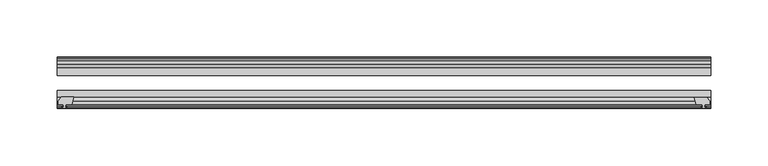
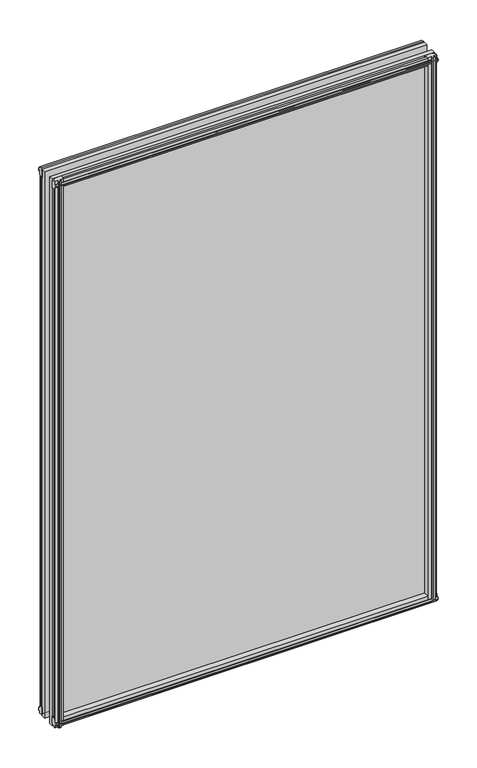
"""IFC4 building model written with IfcOpenShell, lengths in millimetres: plate geometry."""

from ifc_helpers import new_model, si_unit, frame, origin, place, context, project, spatial, polyline, outline, extrude, source, transform, mapped, element, save


def plate_e61108b9(model_context):
    return source(origin(), model_context, "Body", "SweptSolid", [
        extrude(outline(polyline([(-271.3322819, -83.1453125), (-273.05, -89.4953125), (-278.257, -89.4953125), (-278.638, -91.8755095), (-277.2224709, -91.4155762), (-277.2224709, -92.2167904), (-279.4, -92.9243125), (-281.577529, -92.2167904), (-281.577529, -91.4155762), (-280.162, -91.8755095), (-280.543, -89.4953125), (-284.988, -89.4953125), (-284.988, -86.5489125), (-282.1536578, -83.1453125), (-271.3322819, -83.1453125)])), frame((0.0, 0.0, -12.4587), z_axis=(0.0, 0.0, 1.0), x_axis=(1.0, 0.0, 0.0)), (0.0, 0.0, 1.0), 863.1176589),
        extrude(outline(polyline([(271.3538926, -83.2252021), (282.1752685, -83.2252021), (285.0096107, -86.6288021), (285.0096107, -89.5752021), (280.5646107, -89.5752021), (280.1836107, -91.9553991), (281.5991397, -91.4954658), (281.5991397, -92.29668), (279.4216107, -93.0042021), (277.2440816, -92.29668), (277.2440816, -91.4954658), (278.6596107, -91.9553991), (278.2786107, -89.5752021), (273.0716107, -89.5752021), (271.3538926, -83.2252021)])), frame((0.0, 0.0, -9.0482291), z_axis=(0.0, 0.0, 1.0), x_axis=(1.0, 0.0, 0.0)), (0.0, 0.0, 1.0), 859.7071879),
        extrude(outline(polyline([(-280.6827, -49.0151155), (-282.098229, -49.4750488), (-282.098229, -48.6738346), (-279.9207, -47.9663125), (-277.7431709, -48.6738346), (-277.7431709, -49.4750488), (-279.1587, -49.0151155), (-278.7777, -51.3953125), (-273.5707, -51.3953125), (-271.8529819, -57.7453125), (-282.6743578, -57.7453125), (-285.5087, -54.3417125), (-285.5087, -51.3953125), (-281.0637, -51.3953125), (-280.6827, -49.0151155)])), frame((0.0, 0.0, -12.4587), z_axis=(0.0, 0.0, 1.0), x_axis=(1.0, 0.0, 0.0)), (0.0, 0.0, 1.0), 856.7676589),
        extrude(outline(polyline([(271.8529819, -57.7453125), (273.5707, -51.3953125), (278.7777, -51.3953125), (279.1587, -49.0151155), (277.7431709, -49.4750488), (277.7431709, -48.6738346), (279.9207, -47.9663125), (282.098229, -48.6738346), (282.098229, -49.4750488), (280.6827, -49.0151155), (281.0637, -51.3953125), (285.5087, -51.3953125), (285.5087, -54.3417125), (282.6743578, -57.7453125), (271.8529819, -57.7453125)])), frame((0.0, 0.0, -12.4587), z_axis=(0.0, 0.0, 1.0), x_axis=(1.0, 0.0, 0.0)), (0.0, 0.0, 1.0), 856.7676589),
        extrude(outline(polyline([(-48.6738346, -4.6931709), (-47.9663125, -6.8707), (-48.6738346, -9.0482291), (-49.4750488, -9.0482291), (-49.0151155, -7.6327), (-51.3953125, -8.0137), (-51.3953125, -12.4587), (-54.3417125, -12.4587), (-57.7453125, -9.6243578), (-57.7453125, 1.1970181), (-51.3953125, -0.5207), (-51.3953125, -5.7277), (-49.0151155, -6.1087), (-49.4750488, -4.6931709), (-48.6738346, -4.6931709)])), frame((-285.75, 0.0, 0.0), z_axis=(1.0, 0.0, 0.0), x_axis=(0.0, 1.0, 0.0)), (0.0, 0.0, 1.0), 571.5),
        extrude(outline(polyline([(-83.1453125, 1.7177181), (-83.1453125, -9.1036578), (-86.5489125, -11.938), (-89.4953125, -11.938), (-89.4953125, -7.493), (-91.8755095, -7.112), (-91.4155762, -8.5275291), (-92.2167904, -8.5275291), (-92.9243125, -6.35), (-92.2167904, -4.1724709), (-91.4155762, -4.1724709), (-91.8755095, -5.588), (-89.4953125, -5.207), (-89.4953125, 0.0), (-83.1453125, 1.7177181)])), frame((-285.75, 0.0, 0.0), z_axis=(1.0, 0.0, 0.0), x_axis=(0.0, 1.0, 0.0)), (0.0, 0.0, 1.0), 571.5),
        extrude(outline(polyline([(-49.0151155, 845.8329589), (-49.4750488, 847.2484879), (-48.6738346, 847.2484879), (-47.9663125, 845.0709589), (-48.6738346, 842.8934298), (-49.4750488, 842.8934298), (-49.0151155, 844.3089589), (-51.3953125, 843.9279589), (-51.3953125, 838.7209589), (-57.7453125, 837.0032408), (-57.7453125, 847.8246167), (-54.3417125, 850.6589589), (-51.3953125, 850.6589589), (-51.3953125, 846.2139589), (-49.0151155, 845.8329589)])), frame((-285.75, 0.0, 0.0), z_axis=(1.0, 0.0, 0.0), x_axis=(0.0, 1.0, 0.0)), (0.0, 0.0, 1.0), 571.5),
        extrude(outline(polyline([(-89.4953125, 850.1382589), (-86.5489125, 850.1382589), (-83.1453125, 847.3039167), (-83.1453125, 836.4825408), (-89.4953125, 838.2002589), (-89.4953125, 843.4072589), (-91.8755095, 843.7882589), (-91.4155762, 842.3727298), (-92.2167904, 842.3727298), (-92.9243125, 844.5502589), (-92.2167904, 846.7277879), (-91.4155762, 846.7277879), (-91.8755095, 845.3122589), (-89.4953125, 845.6932589), (-89.4953125, 850.1382589)])), frame((-285.75, 0.0, 0.0), z_axis=(1.0, 0.0, 0.0), x_axis=(0.0, 1.0, 0.0)), (0.0, 0.0, 1.0), 571.5),
        extrude(outline(polyline([(-285.75, -57.7453125), (285.75, -57.7453125), (285.75, -64.0953125), (-285.75, -64.0953125), (-285.75, -57.7453125)])), frame((0.0, 0.0, -12.7), z_axis=(0.0, 0.0, 1.0), x_axis=(1.0, 0.0, 0.0)), (0.0, 0.0, 1.0), 863.6002589),
        extrude(outline(polyline([(-285.75, -77.1178925), (285.75, -77.1178925), (285.75, -83.1453125), (-285.75, -83.1453125), (-285.75, -77.1178925)])), frame((0.0, 0.0, -12.7), z_axis=(0.0, 0.0, 1.0), x_axis=(1.0, 0.0, 0.0)), (0.0, 0.0, 1.0), 863.6002589),
    ])


if __name__ == "__main__":
    model = new_model("IFC4")
    model_context = context("Model", 3, world=origin())
    ifc_project = project(units=[si_unit("LENGTHUNIT", "METRE", prefix="MILLI")], contexts=[model_context])
    site = spatial("IfcSite", under=ifc_project)
    building = spatial("IfcBuilding", under=site)
    placement = place(None, origin())
    plate_shape = plate_e61108b9(model_context)
    element("IfcPlate", 1, at=placement, inside=building, context=model_context, shape_type="MappedRepresentation", body=[
        mapped(plate_shape, transform((0.0, 0.0, 0.0), x_axis=(1.0, 0.0, 0.0), y_axis=(0.0, 1.0, 0.0), z_axis=(0.0, 0.0, 1.0))),
    ])
    save(model, "model.ifc")
